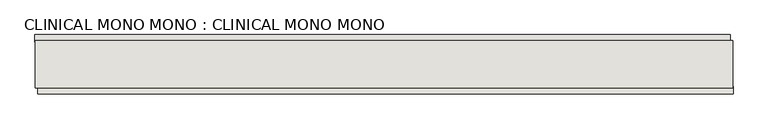
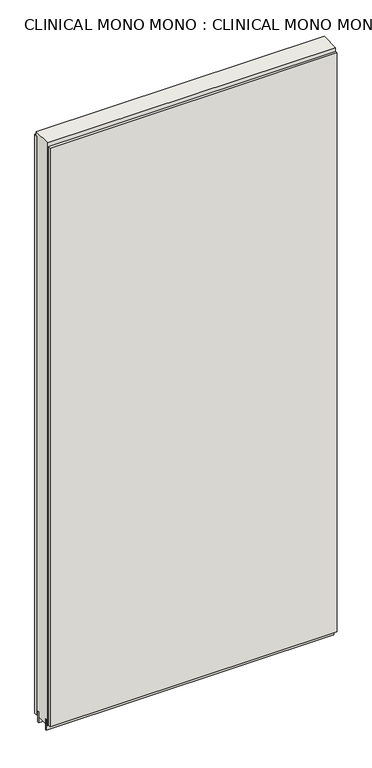
"""IFC4 building model written with IfcOpenShell, lengths in millimetres: wall geometry, CLINICAL MONO MONO : CLINICAL MONO MONO."""

from ifc_helpers import new_model, si_unit, frame, origin, place, context, project, spatial, polyline, outline, extrude, source, transform, mapped, element, save


def clinical_mono_mono_clinical_mono_mono_ef0f3918(model_context):
    return source(origin(), model_context, "Body", "SweptSolid", [
        extrude(outline(polyline([(90761.946492, -39319.3345692), (90764.486492, -39319.3345692), (90764.486492, -39321.8745692), (90761.946492, -39321.8745692), (90761.946492, -39319.3345692)])), frame((0.0, 0.0, 4419.6), z_axis=(0.0, 0.0, 1.0), x_axis=(1.0, 0.0, 0.0)), (0.0, 0.0, 1.0), 2.54),
        extrude(outline(polyline([(90764.9572048, -39371.4045692), (89570.0322388, -39371.4045692), (89570.0322388, -39358.7045692), (90764.9572048, -39358.7045692), (90764.9572048, -39371.4045692)])), frame((0.0, 0.0, 4445.0), z_axis=(0.0, 0.0, 1.0), x_axis=(1.0, 0.0, 0.0)), (0.0, 0.0, 1.0), 2545.0498756),
        extrude(outline(polyline([(89565.0961044, -39269.8045692), (90760.0210704, -39269.8045692), (90760.0210704, -39282.5045692), (89565.0961044, -39282.5045692), (89565.0961044, -39269.8045692)])), frame((0.0, 0.0, 4445.0), z_axis=(0.0, 0.0, 1.0), x_axis=(1.0, 0.0, 0.0)), (0.0, 0.0, 1.0), 2545.0498756),
        extrude(outline(polyline([(89565.5531774, -39345.6914126), (90764.4877366, -39345.6914126), (90764.4877366, -39350.7732668), (89565.5531774, -39350.7732668), (89565.5531774, -39345.6914126)])), frame((0.0, 0.0, 4418.6602), z_axis=(0.0, 0.0, 1.0), x_axis=(1.0, 0.0, 0.0)), (0.0, 0.0, 1.0), 47.625),
        extrude(outline(polyline([(89565.5531774, -39345.6914126), (90764.4877366, -39345.6914126), (90764.4877366, -39350.7732668), (89565.5531774, -39350.7732668), (89565.5531774, -39345.6914126)])), frame((0.0, 0.0, 4418.6602), z_axis=(0.0, 0.0, 1.0), x_axis=(1.0, 0.0, 0.0)), (0.0, 0.0, 1.0), 47.625),
        extrude(outline(polyline([(90764.4877366, -39295.5270222), (89565.5531774, -39295.5270222), (89565.5531774, -39290.4482668), (90764.4877366, -39290.4482668), (90764.4877366, -39295.5270222)])), frame((0.0, 0.0, 4418.6602), z_axis=(0.0, 0.0, 1.0), x_axis=(1.0, 0.0, 0.0)), (0.0, 0.0, 1.0), 47.625),
        extrude(outline(polyline([(90764.4877366, -39295.5270222), (89565.5531774, -39295.5270222), (89565.5531774, -39290.4482668), (90764.4877366, -39290.4482668), (90764.4877366, -39295.5270222)])), frame((0.0, 0.0, 4418.6602), z_axis=(0.0, 0.0, 1.0), x_axis=(1.0, 0.0, 0.0)), (0.0, 0.0, 1.0), 47.625),
        extrude(outline(polyline([(89565.5531774, -39361.2377366), (89565.5531774, -39279.9558824), (90764.4877366, -39279.9558824), (90764.4877366, -39361.2377366), (89565.5531774, -39361.2377366)])), frame((0.0, 0.0, 4445.0), z_axis=(0.0, 0.0, 1.0), x_axis=(1.0, 0.0, 0.0)), (0.0, 0.0, 1.0), 2562.4536762),
    ])


if __name__ == "__main__":
    model = new_model("IFC4")
    model_context = context("Model", 3, world=origin())
    ifc_project = project(units=[si_unit("LENGTHUNIT", "METRE", prefix="MILLI")], contexts=[model_context])
    site = spatial("IfcSite", under=ifc_project)
    building = spatial("IfcBuilding", under=site)
    placement = place(None, origin())
    clinical_mono_mono_clinical_mono_mono_shape = clinical_mono_mono_clinical_mono_mono_ef0f3918(model_context)
    element("IfcWall", 1, ObjectType="CLINICAL MONO MONO : CLINICAL MONO MONO", at=placement, inside=building, context=model_context, shape_type="MappedRepresentation", body=[
        mapped(clinical_mono_mono_clinical_mono_mono_shape, transform((0.0, 0.0, 0.0), x_axis=(1.0, 0.0, 0.0), y_axis=(0.0, 1.0, 0.0), z_axis=(0.0, 0.0, 1.0))),
    ])
    save(model, "model.ifc")
